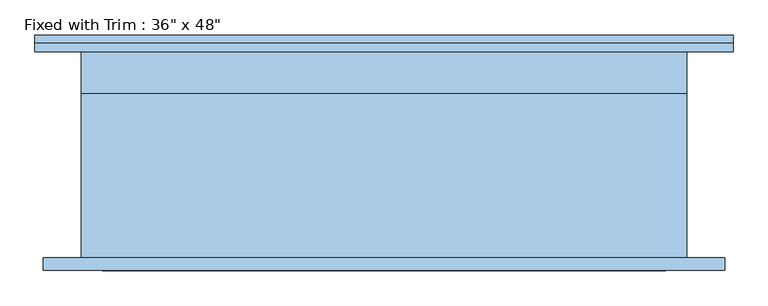
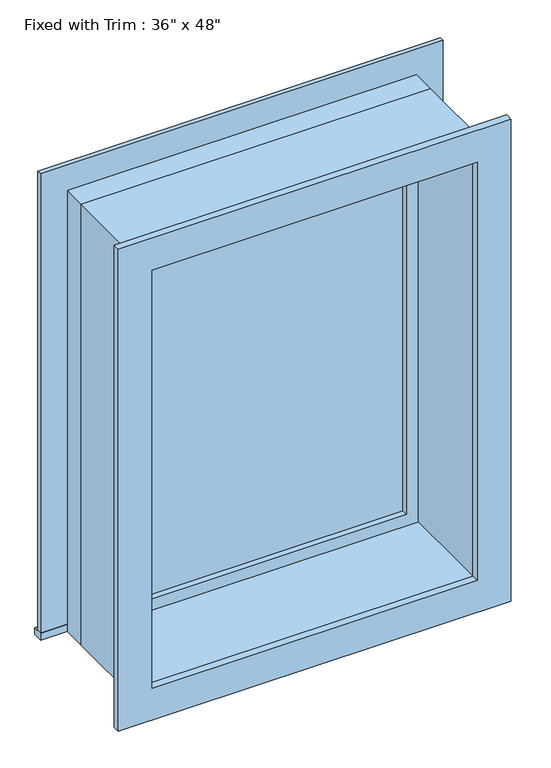
"""IFC4 building model written with IfcOpenShell, lengths in millimetres: window geometry."""

from ifc_helpers import new_model, si_unit, frame, origin, place, context, project, spatial, polyline, outline, extrude, source, transform, mapped, element, save


def window_4a0e1aae(model_context):
    return source(origin(), model_context, "Body", "SweptSolid", [
        extrude(outline(polyline([(-565.15, 180.975), (488.95, 180.975), (488.95, 155.575), (-565.15, 155.575), (-565.15, 180.975)])), frame((0.0, 0.0, 914.4), z_axis=(0.0, 0.0, 1.0), x_axis=(1.0, 0.0, 0.0)), (0.0, 0.0, 1.0), 19.05),
        extrude(outline(polyline([(2114.55, -476.25), (2114.55, 400.05), (933.45, 400.05), (933.45, 488.95), (2203.45, 488.95), (2203.45, -565.15), (933.45, -565.15), (933.45, -476.25), (2114.55, -476.25)])), frame((0.0, 155.575, 0.0), z_axis=(0.0, 1.0, 0.0), x_axis=(0.0, 0.0, 1.0)), (0.0, 0.0, 1.0), 12.7),
        extrude(outline(polyline([(2190.75, 476.25), (2190.75, -552.45), (857.25, -552.45), (857.25, 476.25), (2190.75, 476.25)]), holes=[polyline([(2101.85, 387.35), (946.15, 387.35), (946.15, -463.55), (2101.85, -463.55), (2101.85, 387.35)])]), frame((0.0, -174.625, 0.0), z_axis=(0.0, 1.0, 0.0), x_axis=(0.0, 0.0, 1.0)), (0.0, 0.0, 1.0), 19.05),
        extrude(outline(polyline([(355.6, 107.95), (-431.8, 107.95), (-431.8, 120.65), (355.6, 120.65), (355.6, 107.95)])), frame((0.0, 0.0, 977.9), z_axis=(0.0, 0.0, 1.0), x_axis=(1.0, 0.0, 0.0)), (0.0, 0.0, 1.0), 1092.2),
        extrude(outline(polyline([(2114.55, -476.25), (933.45, -476.25), (933.45, 400.05), (2114.55, 400.05), (2114.55, -476.25)]), holes=[polyline([(2070.1, -431.8), (2070.1, 355.6), (977.9, 355.6), (977.9, -431.8), (2070.1, -431.8)])]), frame((0.0, 92.075, 0.0), z_axis=(0.0, 1.0, 0.0), x_axis=(0.0, 0.0, 1.0)), (0.0, 0.0, 1.0), 44.45),
        extrude(outline(polyline([(2133.6, -495.3), (914.4, -495.3), (914.4, 419.1), (2133.6, 419.1), (2133.6, -495.3)]), holes=[polyline([(2101.85, -463.55), (2101.85, 387.35), (946.15, 387.35), (946.15, -463.55), (2101.85, -463.55)])]), frame((0.0, -155.575, 0.0), z_axis=(0.0, 1.0, 0.0), x_axis=(0.0, 0.0, 1.0)), (0.0, 0.0, 1.0), 247.65),
        extrude(outline(polyline([(2133.6, 419.1), (2133.6, -495.3), (914.4, -495.3), (914.4, 419.1), (2133.6, 419.1)]), holes=[polyline([(2114.55, 400.05), (933.45, 400.05), (933.45, -476.25), (2114.55, -476.25), (2114.55, 400.05)])]), frame((0.0, 92.075, 0.0), z_axis=(0.0, 1.0, 0.0), x_axis=(0.0, 0.0, 1.0)), (0.0, 0.0, 1.0), 63.5),
    ])


if __name__ == "__main__":
    model = new_model("IFC4")
    model_context = context("Model", 3, world=origin())
    ifc_project = project(units=[si_unit("LENGTHUNIT", "METRE", prefix="MILLI")], contexts=[model_context])
    site = spatial("IfcSite", under=ifc_project)
    building = spatial("IfcBuilding", under=site)
    placement = place(None, origin())
    window_shape = window_4a0e1aae(model_context)
    element("IfcWindow", 1, ObjectType="Fixed with Trim : 36\" x 48\"", at=placement, inside=building, context=model_context, shape_type="MappedRepresentation", body=[
        mapped(window_shape, transform((0.0, 0.0, 0.0), x_axis=(1.0, 0.0, 0.0), y_axis=(0.0, 1.0, 0.0), z_axis=(0.0, 0.0, 1.0))),
    ])
    save(model, "model.ifc")
